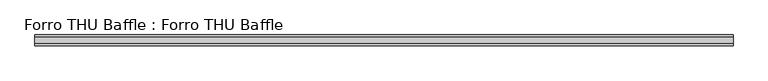
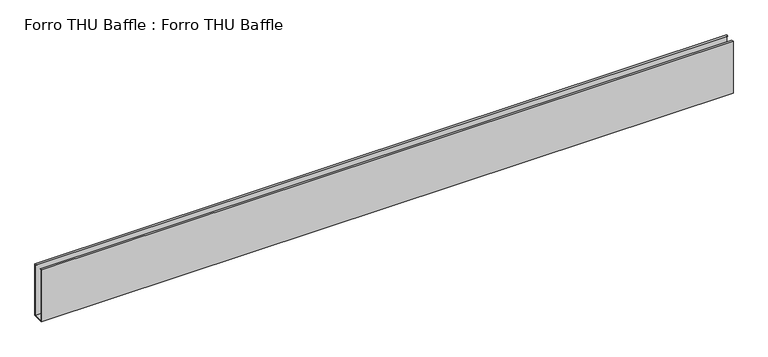
"""IFC4 building model written with IfcOpenShell, lengths in millimetres: proxy geometry, Forro THU Baffle : Forro THU Baffle."""

from ifc_helpers import new_model, si_unit, frame, origin, place, context, project, spatial, polyline, outline, extrude, source, transform, mapped, element, save


def forro_thu_baffle_forro_thu_baffle_a0be2d0d(model_context):
    return source(origin(), model_context, "Body", "SweptSolid", [
        extrude(outline(polyline([(0.0, -150.0), (-30.0, -150.0), (-30.0, 0.0), (-24.5, 0.0), (-24.5, -0.8), (-29.2, -0.8), (-29.2, -149.2), (-0.8, -149.2), (-0.8, -0.8), (-5.5, -0.8), (-5.5, 0.0), (0.0, 0.0), (0.0, -150.0)])), frame((0.0, 0.0, 0.0), z_axis=(1.0, 0.0, 0.0), x_axis=(0.0, 1.0, 0.0)), (0.0, 0.0, 1.0), 1889.2),
    ])


if __name__ == "__main__":
    model = new_model("IFC4")
    model_context = context("Model", 3, world=origin())
    ifc_project = project(units=[si_unit("LENGTHUNIT", "METRE", prefix="MILLI")], contexts=[model_context])
    site = spatial("IfcSite", under=ifc_project)
    building = spatial("IfcBuilding", under=site)
    placement = place(None, origin())
    forro_thu_baffle_forro_thu_baffle_shape = forro_thu_baffle_forro_thu_baffle_a0be2d0d(model_context)
    element("IfcBuildingElementProxy", 1, Name="Forro THU Baffle : Forro THU Baffle", ObjectType="Forro THU Baffle : Forro THU Baffle", at=placement, inside=building, context=model_context, shape_type="MappedRepresentation", body=[
        mapped(forro_thu_baffle_forro_thu_baffle_shape, transform((0.0, 0.0, 0.0), x_axis=(1.0, 0.0, 0.0), y_axis=(0.0, 1.0, 0.0), z_axis=(0.0, 0.0, 1.0))),
    ])
    save(model, "model.ifc")
